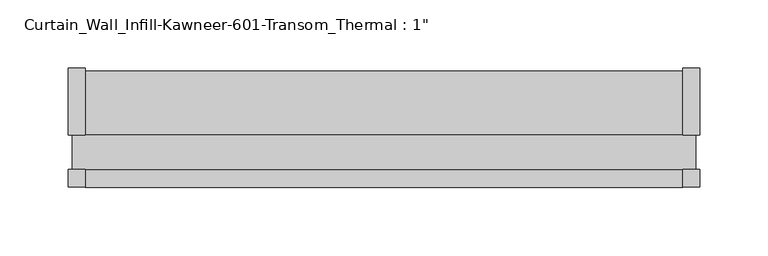
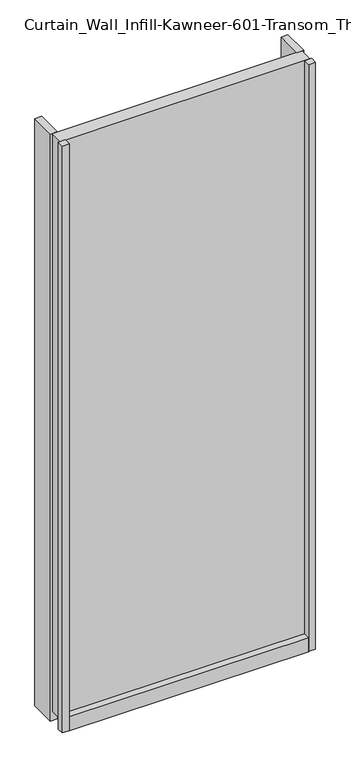
"""IFC4 building model written with IfcOpenShell, lengths in millimetres: plate geometry."""

from ifc_helpers import new_model, si_unit, frame, origin, origin_with_axes, place, context, project, spatial, polyline, outline, extrude, source, transform, mapped, element, save


def plate_02302b09(model_context):
    return source(origin(), model_context, "Body", "SweptSolid", [
        extrude(outline(polyline([(231.7750996, 62.0401131), (231.7750996, 12.7), (219.0750996, 12.7), (219.0750996, 62.0401131), (231.7750996, 62.0401131)])), origin_with_axes(), (0.0, 0.0, 1.0), 1136.65),
        extrude(outline(polyline([(219.0750996, -25.2723869), (219.0750996, -12.7), (231.7750996, -12.7), (231.7750996, -25.2723869), (219.0750996, -25.2723869)])), origin_with_axes(), (0.0, 0.0, 1.0), 1136.65),
        extrude(outline(polyline([(-231.7750996, 62.0401131), (-219.0750996, 62.0401131), (-219.0750996, 12.7), (-231.7750996, 12.7), (-231.7750996, 62.0401131)])), origin_with_axes(), (0.0, 0.0, 1.0), 1136.65),
        extrude(outline(polyline([(-219.0750996, -25.2723869), (-231.7750996, -25.2723869), (-231.7750996, -12.7), (-219.0750996, -12.7), (-219.0750996, -25.2723869)])), origin_with_axes(), (0.0, 0.0, 1.0), 1136.65),
        extrude(outline(polyline([(-12.7, 26.9875), (-12.7, 17.4625), (12.7, 17.4625), (12.7, 26.9875), (60.091499, 26.9875), (60.091499, 0.0), (-25.625216, 0.0), (-25.625216, 26.9875), (-12.7, 26.9875)])), frame((-219.0750996, 0.0, 0.0), z_axis=(1.0, 0.0, 0.0), x_axis=(0.0, 1.0, 0.0)), (0.0, 0.0, 1.0), 438.1501993),
        extrude(outline(polyline([(-228.6000996, -12.7), (-228.6000996, 12.7), (228.6000996, 12.7), (228.6000996, -12.7), (-228.6000996, -12.7)])), frame((0.0, 0.0, 17.4625), z_axis=(0.0, 0.0, 1.0), x_axis=(1.0, 0.0, 0.0)), (0.0, 0.0, 1.0), 1119.1875),
    ])


if __name__ == "__main__":
    model = new_model("IFC4")
    model_context = context("Model", 3, world=origin())
    ifc_project = project(units=[si_unit("LENGTHUNIT", "METRE", prefix="MILLI")], contexts=[model_context])
    site = spatial("IfcSite", under=ifc_project)
    building = spatial("IfcBuilding", under=site)
    placement = place(None, origin())
    plate_shape = plate_02302b09(model_context)
    element("IfcPlate", 1, ObjectType="Curtain_Wall_Infill-Kawneer-601-Transom_Thermal : 1\"", at=placement, inside=building, context=model_context, shape_type="MappedRepresentation", body=[
        mapped(plate_shape, transform((0.0, 0.0, 0.0), x_axis=(1.0, 0.0, 0.0), y_axis=(0.0, 1.0, 0.0), z_axis=(0.0, 0.0, 1.0))),
    ])
    save(model, "model.ifc")
